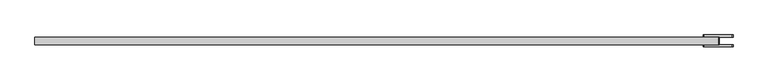
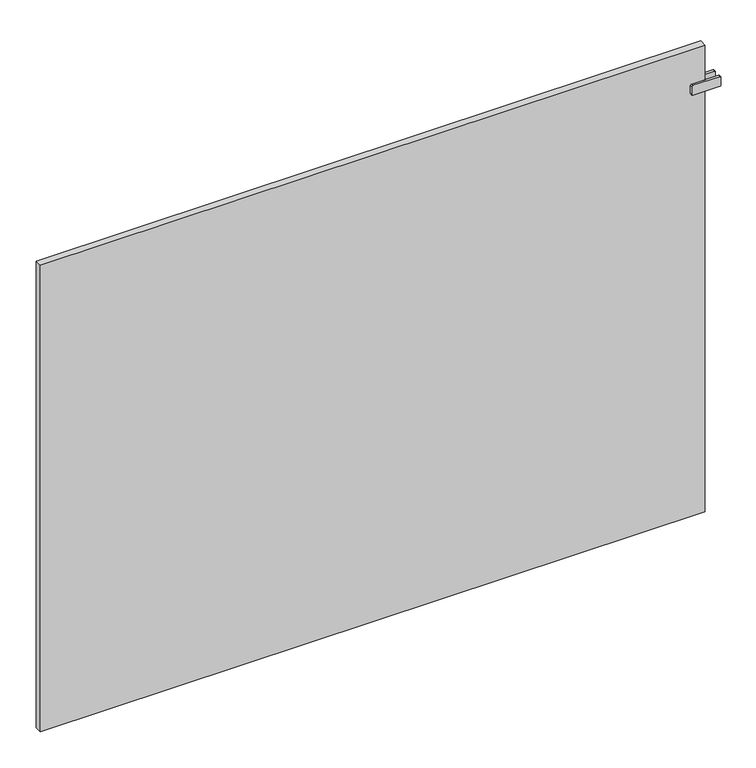
"""IFC4 building model written with IfcOpenShell, lengths in millimetres: plate geometry."""

from ifc_helpers import new_model, si_unit, point, frame, frame_2d, origin, origin_with_axes, place, context, project, spatial, polyline, circle_curve, trimmed, segment, composite_curve, outline, extrude, source, transform, mapped, element, save


def plate_77d6471d(model_context):
    return source(origin(), model_context, "Body", "SweptSolid", [
        extrude(outline(polyline([(797.5000001, -8.75), (792.5000001, -8.75), (792.5000001, 8.75), (797.5000001, 8.75), (797.5000001, -8.75)])), frame((0.0, 0.0, 1066.5), z_axis=(0.0, 0.0, 1.0), x_axis=(1.0, 0.0, 0.0)), (0.0, 0.0, 1.0), 25.0),
        extrude(outline(composite_curve([segment(polyline([(1066.5, 763.0000001), (1066.5, 827.0000001)]), True, "CONTINUOUS"), segment(trimmed(circle_curve(frame_2d((1069.5, 827.0000001)), 3.0), [point((1066.5, 827.0000001))], [point((1069.5, 830.0000001))], False, "CARTESIAN"), True, "CONTINUOUS"), segment(polyline([(1069.5, 830.0000001), (1088.5, 830.0000001)]), True, "CONTINUOUS"), segment(trimmed(circle_curve(frame_2d((1088.5, 827.0000001)), 3.0), [point((1088.5, 830.0000001))], [point((1091.5, 827.0000001))], False, "CARTESIAN"), True, "CONTINUOUS"), segment(polyline([(1091.5, 827.0000001), (1091.5, 763.0000001)]), True, "CONTINUOUS"), segment(trimmed(circle_curve(frame_2d((1088.5, 763.0000001)), 3.0), [point((1091.5, 763.0000001))], [point((1088.5, 760.0000001))], False, "CARTESIAN"), True, "CONTINUOUS"), segment(polyline([(1088.5, 760.0000001), (1069.5, 760.0000001)]), True, "CONTINUOUS"), segment(trimmed(circle_curve(frame_2d((1069.5, 763.0000001)), 3.0), [point((1069.5, 760.0000001))], [point((1066.5, 763.0000001))], False, "CARTESIAN"), True, "CONTINUOUS")], self_intersect=False)), frame((0.0, 8.75, 0.0), z_axis=(0.0, 1.0, 0.0), x_axis=(0.0, 0.0, 1.0)), (0.0, 0.0, 1.0), 5.0),
        extrude(outline(composite_curve([segment(polyline([(1066.5, 763.0000001), (1066.5, 827.0000001)]), True, "CONTINUOUS"), segment(trimmed(circle_curve(frame_2d((1069.5, 827.0000001)), 3.0), [point((1066.5, 827.0000001))], [point((1069.5, 830.0000001))], False, "CARTESIAN"), True, "CONTINUOUS"), segment(polyline([(1069.5, 830.0000001), (1088.5, 830.0000001)]), True, "CONTINUOUS"), segment(trimmed(circle_curve(frame_2d((1088.5, 827.0000001)), 3.0), [point((1088.5, 830.0000001))], [point((1091.5, 827.0000001))], False, "CARTESIAN"), True, "CONTINUOUS"), segment(polyline([(1091.5, 827.0000001), (1091.5, 763.0000001)]), True, "CONTINUOUS"), segment(trimmed(circle_curve(frame_2d((1088.5, 763.0000001)), 3.0), [point((1091.5, 763.0000001))], [point((1088.5, 760.0000001))], False, "CARTESIAN"), True, "CONTINUOUS"), segment(polyline([(1088.5, 760.0000001), (1069.5, 760.0000001)]), True, "CONTINUOUS"), segment(trimmed(circle_curve(frame_2d((1069.5, 763.0000001)), 3.0), [point((1069.5, 760.0000001))], [point((1066.5, 763.0000001))], False, "CARTESIAN"), True, "CONTINUOUS")], self_intersect=False)), frame((0.0, -13.75, 0.0), z_axis=(0.0, 1.0, 0.0), x_axis=(0.0, 0.0, 1.0)), (0.0, 0.0, 1.0), 5.0),
        extrude(outline(polyline([(795.0000001, 8.75), (795.0000001, -8.75), (-795.0000001, -8.75), (-795.0000001, 8.75), (795.0000001, 8.75)])), origin_with_axes(), (0.0, 0.0, 1.0), 1179.0),
    ])


if __name__ == "__main__":
    model = new_model("IFC4")
    model_context = context("Model", 3, world=origin())
    ifc_project = project(units=[si_unit("LENGTHUNIT", "METRE", prefix="MILLI")], contexts=[model_context])
    site = spatial("IfcSite", under=ifc_project)
    building = spatial("IfcBuilding", under=site)
    placement = place(None, origin())
    plate_shape = plate_77d6471d(model_context)
    element("IfcPlate", 1, at=placement, inside=building, context=model_context, shape_type="MappedRepresentation", body=[
        mapped(plate_shape, transform((0.0, 0.0, 0.0), x_axis=(1.0, 0.0, 0.0), y_axis=(0.0, 1.0, 0.0), z_axis=(0.0, 0.0, 1.0))),
    ])
    save(model, "model.ifc")
